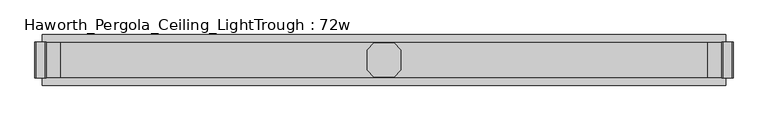
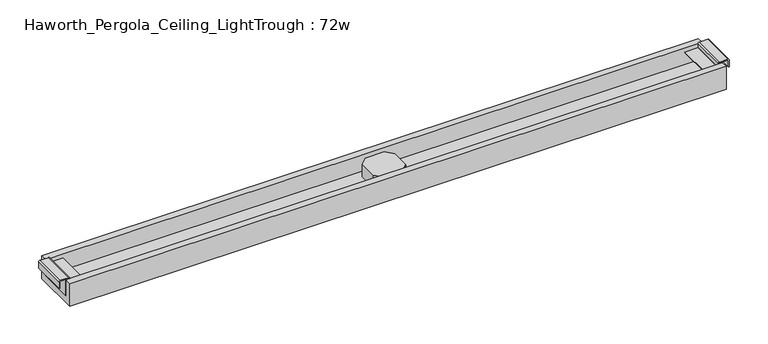
"""IFC4 building model written with IfcOpenShell, lengths in millimetres: furniture geometry, Haworth_Pergola_Ceiling_LightTrough : 72w."""

from ifc_helpers import new_model, si_unit, point, frame, frame_2d, origin, place, context, project, spatial, polyline, circle_curve, trimmed, segment, composite_curve, outline, extrude, source, transform, mapped, element, save


def haworth_pergola_ceiling_lighttrough_72w_81d39504(model_context):
    return source(origin(), model_context, "Body", "SweptSolid", [
        extrude(outline(polyline([(30.4419998, 26.8840513), (48.5159515, 44.9580002), (102.2840484, 44.9580002), (120.3580002, 26.8840513), (120.3580002, -26.8840485), (102.2840484, -44.9580002), (48.5159515, -44.9580002), (30.4419998, -26.8840485), (30.4419998, 26.8840513)])), frame((0.0, 0.0, 2389.4796), z_axis=(0.0, 0.0, 1.0), x_axis=(1.0, 0.0, 0.0)), (0.0, 0.0, 1.0), 38.0999994),
        extrude(outline(composite_curve([segment(polyline([(2418.3545999, 1009.1534303), (2437.4045999, 1009.1534303)]), True, "CONTINUOUS"), segment(trimmed(circle_curve(frame_2d((2437.4045999, 1005.4934293)), 3.660001), [point((2437.4045999, 1009.1534303))], [point((2441.0646008, 1005.4934293))], False, "CARTESIAN"), True, "CONTINUOUS"), segment(polyline([(2441.0646008, 1005.4934293), (2441.0646008, 982.0934303)]), True, "CONTINUOUS"), segment(trimmed(circle_curve(frame_2d((2437.0478931, 982.4670697)), 4.0340485), [point((2441.0646008, 982.0934303))], [point((2437.0478931, 978.4330212))], False, "CARTESIAN"), True, "CONTINUOUS"), segment(polyline([(2437.0478931, 978.4330212), (2426.6645986, 978.4330212), (2425.6646, 977.4330226), (2425.6646, 941.9434301), (2423.0046, 941.9434301), (2423.0046, 977.4334301), (2423.0046, 987.8999999), (2389.4796, 987.8999999), (2389.4796, 989.8), (2437.0478931, 989.8), (2437.0478931, 987.8999999), (2426.6645986, 987.8999999), (2426.6645986, 981.09343), (2437.0478931, 981.09343), (2438.4045979, 982.0934303), (2438.4045979, 1005.4934316), (2437.4045999, 1006.4934296), (2418.3545999, 1006.4934296), (2418.3545999, 1009.1534303)]), True, "CONTINUOUS")], self_intersect=False)), frame((0.0, -48.650001, 0.0), z_axis=(0.0, 1.0, 0.0), x_axis=(0.0, 0.0, 1.0)), (0.0, 0.0, 1.0), 97.3000021),
        extrude(outline(composite_curve([segment(polyline([(2418.3545999, -858.3534303), (2418.3545999, -855.6934296), (2437.4045999, -855.6934296), (2438.4045979, -854.6934316), (2438.4045979, -831.2934303), (2437.0478931, -830.29343), (2426.6645986, -830.29343), (2426.6645986, -837.1), (2437.0478931, -837.1), (2437.0478931, -839.0), (2389.4796, -839.0), (2389.4796, -837.1), (2423.0046, -837.1), (2423.0046, -826.6334301), (2423.0046, -791.1434301), (2425.6646, -791.1434301), (2425.6646, -826.6330226), (2426.6645986, -827.6330212), (2437.0478931, -827.6330212)]), True, "CONTINUOUS"), segment(trimmed(circle_curve(frame_2d((2437.0478931, -831.6670697)), 4.0340485), [point((2437.0478931, -827.6330212))], [point((2441.0646008, -831.2934303))], False, "CARTESIAN"), True, "CONTINUOUS"), segment(polyline([(2441.0646008, -831.2934303), (2441.0646008, -854.6934294)]), True, "CONTINUOUS"), segment(trimmed(circle_curve(frame_2d((2437.4045999, -854.6934294)), 3.660001), [point((2441.0646008, -854.6934294))], [point((2437.4045999, -858.3534303))], False, "CARTESIAN"), True, "CONTINUOUS"), segment(polyline([(2437.4045999, -858.3534303), (2418.3545999, -858.3534303)]), True, "CONTINUOUS")], self_intersect=False)), frame((0.0, -48.650001, 0.0), z_axis=(0.0, 1.0, 0.0), x_axis=(0.0, 0.0, 1.0)), (0.0, 0.0, 1.0), 97.3000021),
        extrude(outline(polyline([(67.700001, 2370.4296), (-67.700001, 2370.4296), (-67.700001, 2437.0478931), (-48.650001, 2437.0478931), (-48.650001, 2389.4796), (48.650001, 2389.4796), (48.650001, 2437.0478931), (67.700001, 2437.0478931), (67.700001, 2370.4296)])), frame((-839.0, 0.0, 0.0), z_axis=(1.0, 0.0, 0.0), x_axis=(0.0, 1.0, 0.0)), (0.0, 0.0, 1.0), 1828.8),
    ])


if __name__ == "__main__":
    model = new_model("IFC4")
    model_context = context("Model", 3, world=origin())
    ifc_project = project(units=[si_unit("LENGTHUNIT", "METRE", prefix="MILLI")], contexts=[model_context])
    site = spatial("IfcSite", under=ifc_project)
    building = spatial("IfcBuilding", under=site)
    placement = place(None, origin())
    haworth_pergola_ceiling_lighttrough_72w_shape = haworth_pergola_ceiling_lighttrough_72w_81d39504(model_context)
    element("IfcFurniture", 1, ObjectType="Haworth_Pergola_Ceiling_LightTrough : 72w", at=placement, inside=building, context=model_context, shape_type="MappedRepresentation", body=[
        mapped(haworth_pergola_ceiling_lighttrough_72w_shape, transform((0.0, 0.0, 0.0), x_axis=(1.0, 0.0, 0.0), y_axis=(0.0, 1.0, 0.0), z_axis=(0.0, 0.0, 1.0))),
    ])
    save(model, "model.ifc")
